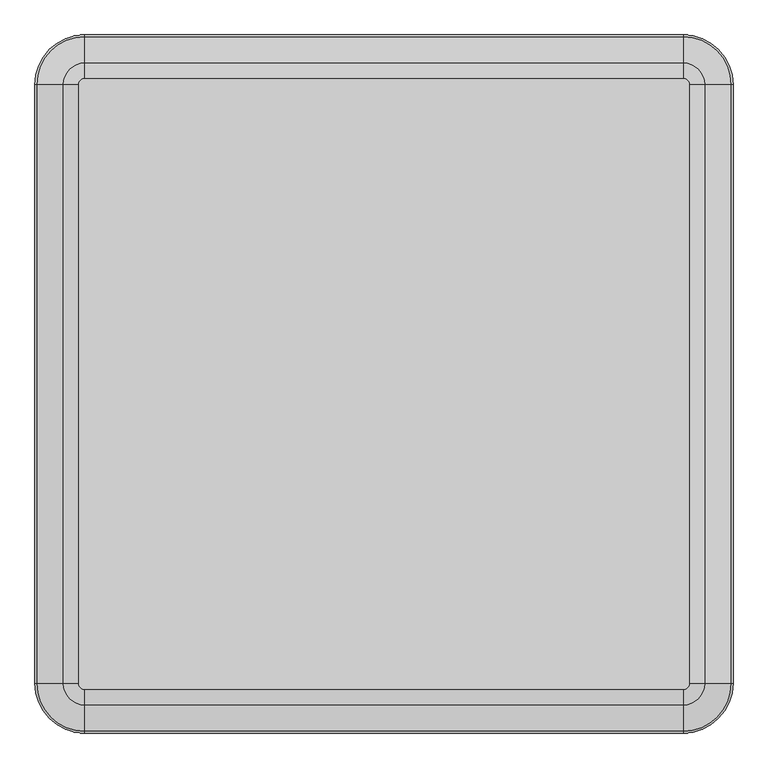
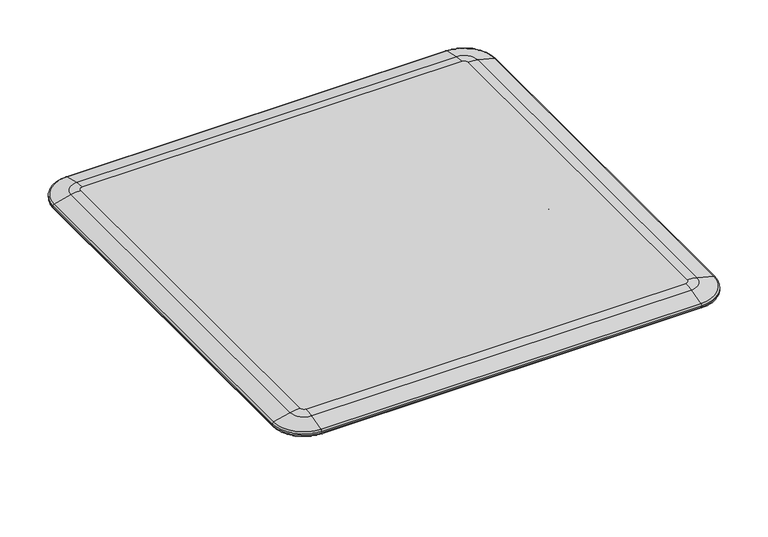
"""IFC4 building model written with IfcOpenShell, lengths in millimetres: furniture geometry."""

import ifcopenshell
import ifcopenshell.guid

model = None  # the IFC model being written
_history = None  # IfcOwnerHistory: only IFC2X3 demands one
_inside = {}  # id of a spatial element -> (the spatial element, [elements in it])
_under = {}  # id of a project, library or spatial element -> (it, [spatial elements below it])
_declared = {}  # id of a project -> (the project, [libraries it declares])
_typed = {}  # id of a type object -> (the type object, [elements of that type])
_made_of = {}  # id of a material, layer set ... -> (it, [elements and type objects made of it])


def new_model(schema):
    """Start an empty IFC model of exactly this schema.

    Asked for "IFC4X3", IfcOpenShell would pick the latest addendum, in which some entities
    have other attributes; the version numbers below select the first issue.
    IFC2X3 requires an IfcOwnerHistory on every rooted entity: one is made here for all.
    """
    global model, _history
    if schema == "IFC4X3":
        model = ifcopenshell.file(schema_version=(4, 3, 0, 0))
    else:
        model = ifcopenshell.file(schema=schema)
    _inside.clear()
    _under.clear()
    _declared.clear()
    _typed.clear()
    _made_of.clear()
    _history = None
    if model.schema == "IFC2X3":
        org = make("IfcOrganization", Name="unknown")
        user = make(
            "IfcPersonAndOrganization",
            ThePerson=make("IfcPerson", FamilyName="unknown"),
            TheOrganization=org,
        )
        app = make(
            "IfcApplication",
            ApplicationDeveloper=org,
            Version="unknown",
            ApplicationFullName="unknown",
            ApplicationIdentifier="unknown",
        )
        _history = make(
            "IfcOwnerHistory",
            OwningUser=user,
            OwningApplication=app,
            ChangeAction="ADDED",
            CreationDate=0,
        )
    return model


def make(cls, **values):
    """One entity of the class cls with the attributes given. An attribute that is None is left unset."""
    return model.create_entity(
        cls, **{name: value for name, value in values.items() if value is not None}
    )


def rooted(cls, **values):
    """An entity with a GlobalId (a new one), such as an element, a storey or a relation."""
    return make(cls, GlobalId=ifcopenshell.guid.new(), OwnerHistory=_history, **values)


def si_unit(unit_type, name, prefix=None):
    """IfcSIUnit, for example si_unit("LENGTHUNIT", "METRE", prefix="MILLI")."""
    return make("IfcSIUnit", UnitType=unit_type, Prefix=prefix, Name=name)


def assignment(units):
    """IfcUnitAssignment: the units of a project."""
    return None if units is None else make("IfcUnitAssignment", Units=units)


def point(xyz):
    """IfcCartesianPoint."""
    return None if xyz is None else make("IfcCartesianPoint", Coordinates=xyz)


def direction(xyz):
    """IfcDirection."""
    return None if xyz is None else make("IfcDirection", DirectionRatios=xyz)


def frame(location, z_axis=None, x_axis=None):
    """IfcAxis2Placement3D, a coordinate frame: its origin and axes. An axis left out is left unset."""
    return make(
        "IfcAxis2Placement3D",
        Location=point(location),
        Axis=direction(z_axis),
        RefDirection=direction(x_axis),
    )


def origin():
    """The frame at (0, 0, 0) with its axes left unset."""
    return frame((0.0, 0.0, 0.0))


def place(relative_to, where):
    """IfcLocalPlacement: puts the frame where relative to a parent placement (None: the world)."""
    return make(
        "IfcLocalPlacement", PlacementRelTo=relative_to, RelativePlacement=where
    )


def context(
    kind, dimensions, precision=None, world=None, true_north=None, identifier=None
):
    """IfcGeometricRepresentationContext, for example the 3D "Model" context."""
    return make(
        "IfcGeometricRepresentationContext",
        ContextIdentifier=identifier,
        ContextType=kind,
        CoordinateSpaceDimension=dimensions,
        Precision=precision,
        WorldCoordinateSystem=world,
        TrueNorth=true_north,
    )


def project(units=None, contexts=None):
    """IfcProject with its units and contexts."""
    return rooted(
        "IfcProject",
        Name="project",
        RepresentationContexts=contexts,
        UnitsInContext=assignment(units),
    )


def spatial(cls, under=None, at=None, **own):
    """A site, building, storey or space (cls), placed at a placement, below another one or the project."""
    s = rooted(cls, ObjectPlacement=at, **own)
    if under is not None:
        _under.setdefault(under.id(), (under, []))[1].append(s)
    return s


def polyline(points):
    """IfcPolyline through the points."""
    return make("IfcPolyline", Points=[point(p) for p in points])


def circle_curve(where, radius):
    """IfcCircle in the frame where."""
    return make("IfcCircle", Position=where, Radius=radius)


def ellipse_curve(where, semi_axis1, semi_axis2):
    """IfcEllipse in the frame where."""
    return make(
        "IfcEllipse", Position=where, SemiAxis1=semi_axis1, SemiAxis2=semi_axis2
    )


def trimmed(basis, trim1, trim2, sense, master):
    """IfcTrimmedCurve: the piece of a basis curve between two trims."""
    return make(
        "IfcTrimmedCurve",
        BasisCurve=basis,
        Trim1=trim1,
        Trim2=trim2,
        SenseAgreement=sense,
        MasterRepresentation=master,
    )


def shape(context_of_items, identifier, shape_type, items):
    """IfcShapeRepresentation: the items that make up one representation, for example the "Body"."""
    return make(
        "IfcShapeRepresentation",
        ContextOfItems=context_of_items,
        RepresentationIdentifier=identifier,
        RepresentationType=shape_type,
        Items=items,
    )


def source(mapping_origin, context_of_items, identifier, shape_type, items):
    """IfcRepresentationMap: a shape defined once, which mapped items show again and again."""
    return make(
        "IfcRepresentationMap",
        MappingOrigin=mapping_origin,
        MappedRepresentation=shape(context_of_items, identifier, shape_type, items),
    )


def transform(
    local_origin,
    x_axis=None,
    y_axis=None,
    z_axis=None,
    scale=None,
    scale2=None,
    scale3=None,
    uniform=True,
):
    """IfcCartesianTransformationOperator3D, or its non-uniform kind. x_axis, y_axis, z_axis: its Axis1, 2, 3."""
    if uniform:
        return make(
            "IfcCartesianTransformationOperator3D",
            Axis1=direction(x_axis),
            Axis2=direction(y_axis),
            LocalOrigin=point(local_origin),
            Scale=scale,
            Axis3=direction(z_axis),
        )
    return make(
        "IfcCartesianTransformationOperator3DnonUniform",
        Axis1=direction(x_axis),
        Axis2=direction(y_axis),
        LocalOrigin=point(local_origin),
        Scale=scale,
        Axis3=direction(z_axis),
        Scale2=scale2,
        Scale3=scale3,
    )


def mapped(mapping_source, mapping_target):
    """IfcMappedItem: shows the shape of a source again, moved by a transform."""
    return make(
        "IfcMappedItem", MappingSource=mapping_source, MappingTarget=mapping_target
    )


def made_of(thing, what):
    """Note that an element or type object is made of a material, layer set ...; save() writes the relation."""
    if what is not None:
        _made_of.setdefault(what.id(), (what, []))[1].append(thing)
    return thing


def element(
    cls,
    number,
    at=None,
    inside=None,
    cuts=None,
    type_object=None,
    material=None,
    context=None,
    identifier="Body",
    shape_type=None,
    held_by="IfcProductDefinitionShape",
    body=None,
    shapes=None,
    **own,
):
    """One element of the class cls, such as IfcWall. Its Tag is "e" and its number.

    at: its placement. inside: the storey or other place that contains it. cuts: it is an
    opening in that element (IfcRelVoidsElement). A single representation is given by context,
    identifier, shape_type and body (its items); several are given by shapes. held_by: the class
    of the entity that holds the representations. save() writes the other relations.
    """
    e = rooted(cls, Tag="e%d" % number, ObjectPlacement=at, **own)
    if body is not None:
        shapes = [shape(context, identifier, shape_type, body)]
    if shapes is not None:
        e.Representation = make(held_by, Representations=shapes)
    if inside is not None:
        _inside.setdefault(inside.id(), (inside, []))[1].append(e)
    if cuts is not None:
        rooted(
            "IfcRelVoidsElement", RelatingBuildingElement=cuts, RelatedOpeningElement=e
        )
    if type_object is not None:
        _typed.setdefault(type_object.id(), (type_object, []))[1].append(e)
    return made_of(e, material)


def aggregate(whole, parts):
    """IfcRelAggregates: a whole, such as a stair, and the parts it consists of."""
    return rooted("IfcRelAggregates", RelatingObject=whole, RelatedObjects=parts)


def save(model, path):
    """Write the relations noted so far, then the file.

    IfcRelAggregates (storeys below a building ...), IfcRelContainedInSpatialStructure (elements
    in a storey), IfcRelDefinesByType, IfcRelAssociatesMaterial and IfcRelDeclares: one each for
    every whole, place, type object, material and project.
    """
    for whole, parts in _under.values():
        aggregate(whole, parts)
    for where, things in _inside.values():
        rooted(
            "IfcRelContainedInSpatialStructure",
            RelatedElements=things,
            RelatingStructure=where,
        )
    for kind, things in _typed.values():
        rooted("IfcRelDefinesByType", RelatedObjects=things, RelatingType=kind)
    for what, things in _made_of.values():
        rooted("IfcRelAssociatesMaterial", RelatedObjects=things, RelatingMaterial=what)
    for by, libraries in _declared.values():
        rooted("IfcRelDeclares", RelatingContext=by, RelatedDefinitions=libraries)
    model.write(path)


def plane_surface(at):
    """IfcPlane: the flat surface through the origin of the frame at, square to its z axis."""
    return make("IfcPlane", Position=at)


def cylinder_surface(at, radius):
    """IfcCylindricalSurface: all points at the distance radius from the z axis of the frame at."""
    return make("IfcCylindricalSurface", Position=at, Radius=radius)


def revolved_surface(curve, axis_point, axis_direction):
    """IfcSurfaceOfRevolution: the curve turned about the line through axis_point along axis_direction."""
    return make(
        "IfcSurfaceOfRevolution",
        SweptCurve=make("IfcArbitraryOpenProfileDef", ProfileType="CURVE", Curve=curve),
        AxisPosition=make("IfcAxis1Placement", Location=point(axis_point), Axis=direction(axis_direction)),
    )


def advanced_brep(points, edges, surfaces, faces):
    """IfcAdvancedBrep: a solid bounded by faces that lie on surfaces and meet in shared edges.

    An edge is (start, end): straight between two places in points (the first is 0);
    or (start, end, curve); or (start, end, curve, False) where it runs against its curve.
    A face is (place in surfaces, loops), or (place, loops, False) where it looks against
    its surface's normal. A loop lists edges by number (the first is 1), with a minus sign
    where the edge is run from its end to its start. The first loop is the outer one.
    """
    corners = [point(p) for p in points]
    vertices = [make("IfcVertexPoint", VertexGeometry=c) for c in corners]
    made = []
    for start, end, *more in edges:
        made.append(
            make(
                "IfcEdgeCurve",
                EdgeStart=vertices[start],
                EdgeEnd=vertices[end],
                EdgeGeometry=more[0] if more else make("IfcPolyline", Points=[corners[start], corners[end]]),
                SameSense=more[1] if len(more) > 1 else True,
            )
        )
    hull = []
    for where, loops, *sense in faces:
        bounds = []
        for j, loop in enumerate(loops):
            ring = [make("IfcOrientedEdge", EdgeElement=made[abs(k) - 1], Orientation=k > 0) for k in loop]
            bounds.append(
                make(
                    "IfcFaceOuterBound" if j == 0 else "IfcFaceBound",
                    Bound=make("IfcEdgeLoop", EdgeList=ring),
                    Orientation=True,
                )
            )
        hull.append(make("IfcAdvancedFace", Bounds=bounds, FaceSurface=surfaces[where], SameSense=sense[0] if sense else True))
    return make("IfcAdvancedBrep", Outer=make("IfcClosedShell", CfsFaces=hull))


def furniture_99f1396e(model_context):
    return source(origin(), model_context, "Body", "AdvancedBrep", [
        advanced_brep(
        [(391.3822515, -100.508253, 555.3710063), (391.3822515, -97.3073962, 558.5718631), (391.3822515, -97.3073962, 708.6902807), (391.3822515, -99.708377, 711.0912615), (391.3822515, -101.2761492, 711.0912615), (391.3822515, -101.2761492, 707.9162373), (391.3822515, -101.0406863, 707.9162373), (391.3822515, -100.4824023, 707.3579533), (391.3822515, -100.4824023, 560.3452277), (391.3822515, -102.0491281, 558.7785018), (391.3822515, -101.2823662, 558.7785018), (391.3822515, -101.2823662, 555.3710063), (341.3760015, -102.0491281, 558.7785018), (341.3760015, -100.4824023, 560.3452277), (341.3760015, -100.4824023, 707.3579533), (341.3760015, -101.0406863, 707.9162373), (341.3760015, -101.2761492, 707.9162373), (341.3760015, -101.2761492, 711.0912615), (341.3760015, -99.708377, 711.0912615), (341.3760015, -97.3073962, 708.6902807), (341.3760015, -97.3073962, 558.5718631), (341.3760015, -100.508253, 555.3710063), (341.3760015, -101.2774084, 555.3710063), (341.3760015, -101.2774084, 558.7785018), (402.9715051, -101.2835152, 555.3710063), (408.0510015, -106.3635152, 555.3710063), (408.0510015, -187.1979983, 555.3710063), (402.9710015, -192.2779983, 555.3710063), (317.8810015, -192.2779983, 555.3710063), (312.8010015, -187.1979983, 555.3710063), (312.8010015, -106.355079, 555.3710063), (317.8815051, -101.275079, 555.3710063), (331.6922757, -101.2761492, 711.0912615), (331.6922757, -122.5550012, 711.0912615), (344.3922636, -125.7299982, 711.0912615), (369.897129, -125.7299982, 711.0912615), (369.897129, -132.0800012, 711.0912615), (344.3922636, -132.0800012, 711.0912615), (331.6922757, -135.2549982, 711.0912615), (331.6922757, -147.3200012, 711.0912615), (335.5022757, -151.1300012, 711.0912615), (391.3822515, -151.1300012, 711.0912615), (395.1922515, -147.3200012, 711.0912615), (395.1922515, -101.2761492, 711.0912615), (395.1922515, -101.2761492, 707.9162373), (395.1922515, -147.3200012, 707.9162373), (391.3822515, -151.1300012, 707.9162373), (335.5022757, -151.1300012, 707.9162373), (331.6922757, -147.3200012, 707.9162373), (331.6922757, -135.2549982, 707.9162373), (344.3922636, -132.0800012, 707.9162373), (369.897129, -132.0800012, 707.9162373), (369.897129, -125.7299982, 707.9162373), (344.3922636, -125.7299982, 707.9162373), (331.6922757, -122.5550012, 707.9162373), (331.6922757, -101.2761492, 707.9162373), (317.8815051, -101.275079, 558.7785018), (312.8010015, -106.355079, 558.7785018), (312.8010015, -187.1979983, 558.7785018), (317.8810015, -192.2779983, 558.7785018), (402.9710015, -192.2779983, 558.7785018), (408.0510015, -187.1979983, 558.7785018), (408.0510015, -106.3635152, 558.7785018), (402.9715051, -101.2835152, 558.7785018)],
        [
            (0, 1, circle_curve(frame((391.3822515, -100.508253, 558.5718631), z_axis=(1.0, 0.0, 0.0), x_axis=(0.0, -1.0, 0.0)), 3.2008568)),
            (1, 2),
            (2, 3, circle_curve(frame((391.3822515, -99.708377, 708.6902807), z_axis=(1.0, 0.0, 0.0), x_axis=(0.0, 1.0, 0.0)), 2.4009808)),
            (3, 4),
            (4, 5),
            (5, 6),
            (6, 7, circle_curve(frame((391.3822515, -101.0406863, 707.3579533), z_axis=(-1.0, 0.0, 0.0), x_axis=(0.0, 1.0, 0.0)), 0.558284)),
            (7, 8),
            (8, 9, circle_curve(frame((391.3822515, -102.0491281, 560.3452277), z_axis=(-1.0, 0.0, 0.0), x_axis=(0.0, -1.0, 0.0)), 1.5667259)),
            (9, 10),
            (10, 11),
            (11, 0),
            (12, 13, circle_curve(frame((341.3760015, -102.0491281, 560.3452277), z_axis=(1.0, 0.0, 0.0), x_axis=(0.0, -1.0, 0.0)), 1.5667259)),
            (13, 14),
            (14, 15, circle_curve(frame((341.3760015, -101.0406863, 707.3579533), z_axis=(1.0, 0.0, 0.0), x_axis=(0.0, 1.0, 0.0)), 0.558284)),
            (15, 16),
            (16, 17),
            (17, 18),
            (18, 19, circle_curve(frame((341.3760015, -99.708377, 708.6902807), z_axis=(-1.0, 0.0, 0.0), x_axis=(0.0, 1.0, 0.0)), 2.4009808)),
            (19, 20),
            (20, 21, circle_curve(frame((341.3760015, -100.508253, 558.5718631), z_axis=(-1.0, 0.0, 0.0), x_axis=(0.0, -1.0, 0.0)), 3.2008568)),
            (21, 22),
            (22, 23),
            (23, 12),
            (21, 0),
            (11, 24),
            (24, 25, circle_curve(frame((402.9710015, -106.3635152, 555.3710063), z_axis=(0.0, 0.0, -1.0), x_axis=(-1.0, 0.0, 0.0)), 5.08)),
            (25, 26),
            (26, 27, circle_curve(frame((402.9710015, -187.1979983, 555.3710063), z_axis=(0.0, 0.0, -1.0), x_axis=(-1.0, 0.0, 0.0)), 5.08)),
            (27, 28),
            (28, 29, circle_curve(frame((317.8810015, -187.1979983, 555.3710063), z_axis=(0.0, 0.0, -1.0), x_axis=(-1.0, 0.0, 0.0)), 5.08)),
            (29, 30),
            (30, 31, circle_curve(frame((317.8810015, -106.355079, 555.3710063), z_axis=(0.0, 0.0, -1.0), x_axis=(-1.0, 0.0, 0.0)), 5.08)),
            (31, 22),
            (20, 1),
            (19, 2),
            (18, 3),
            (17, 32),
            (32, 33),
            (33, 34),
            (34, 35),
            (35, 36, circle_curve(frame((369.897129, -128.9049997, 711.0912615), z_axis=(0.0, 0.0, -1.0), x_axis=(1.0, 0.0, 0.0)), 3.1750015)),
            (36, 37),
            (37, 38),
            (38, 39),
            (39, 40, circle_curve(frame((335.5022757, -147.3200012, 711.0912615), z_axis=(0.0, 0.0, 1.0), x_axis=(1.0, 0.0, 0.0)), 3.81)),
            (40, 41),
            (41, 42, circle_curve(frame((391.3822515, -147.3200012, 711.0912615), z_axis=(0.0, 0.0, 1.0), x_axis=(1.0, 0.0, 0.0)), 3.81)),
            (42, 43),
            (43, 4),
            (15, 6),
            (5, 44),
            (44, 45),
            (45, 46, circle_curve(frame((391.3822515, -147.3200012, 707.9162373), z_axis=(0.0, 0.0, -1.0), x_axis=(1.0, 0.0, 0.0)), 3.81)),
            (46, 47),
            (47, 48, circle_curve(frame((335.5022757, -147.3200012, 707.9162373), z_axis=(0.0, 0.0, -1.0), x_axis=(1.0, 0.0, 0.0)), 3.81)),
            (48, 49),
            (49, 50),
            (50, 51),
            (51, 52, circle_curve(frame((369.897129, -128.9049997, 707.9162373), z_axis=(0.0, 0.0, 1.0), x_axis=(1.0, 0.0, 0.0)), 3.1750015)),
            (52, 53),
            (53, 54),
            (54, 55),
            (55, 16),
            (14, 7),
            (13, 8),
            (12, 9),
            (23, 56),
            (56, 57, circle_curve(frame((317.8810015, -106.355079, 558.7785018), z_axis=(0.0, 0.0, 1.0), x_axis=(-1.0, 0.0, 0.0)), 5.08)),
            (57, 58),
            (58, 59, circle_curve(frame((317.8810015, -187.1979983, 558.7785018), z_axis=(0.0, 0.0, 1.0), x_axis=(-1.0, 0.0, 0.0)), 5.08)),
            (59, 60),
            (60, 61, circle_curve(frame((402.9710015, -187.1979983, 558.7785018), z_axis=(0.0, 0.0, 1.0), x_axis=(-1.0, 0.0, 0.0)), 5.08)),
            (61, 62),
            (62, 63, circle_curve(frame((402.9710015, -106.3635152, 558.7785018), z_axis=(0.0, 0.0, 1.0), x_axis=(-1.0, 0.0, 0.0)), 5.08)),
            (63, 10),
            (56, 31),
            (30, 57),
            (29, 58),
            (28, 59),
            (27, 60),
            (26, 61),
            (25, 62),
            (24, 63),
            (40, 47),
            (46, 41),
            (45, 42),
            (44, 43),
            (55, 32),
            (54, 33),
            (53, 34),
            (52, 35),
            (51, 36),
            (50, 37),
            (49, 38),
            (48, 39),
        ],
        [
            plane_surface(frame((391.3822515, -107.6625629, 558.7785018), z_axis=(1.0, 0.0, 0.0), x_axis=(0.0, 0.0, -1.0))),
            plane_surface(frame((341.3760015, -107.6625629, 558.7785018), z_axis=(-1.0, 0.0, 0.0), x_axis=(0.0, 0.0, 1.0))),
            plane_surface(frame((391.3822515, -107.6625629, 555.3710063), z_axis=(0.0, 0.0, -1.0), x_axis=(-1.0, 0.0, 0.0))),
            cylinder_surface(frame((341.3760015, -100.508253, 558.5718631), z_axis=(1.0, 0.0, 0.0), x_axis=(0.0, -1.0, 0.0)), 3.2008568),
            plane_surface(frame((391.3822515, -97.3073962, 558.5718631), z_axis=(0.0, 1.0, 0.0), x_axis=(-1.0, 0.0, 0.0))),
            cylinder_surface(frame((341.3760015, -99.708377, 708.6902807), z_axis=(1.0, 0.0, 0.0), x_axis=(0.0, 1.0, 0.0)), 2.4009808),
            plane_surface(frame((391.3822515, -99.708377, 711.0912615), z_axis=(0.0, 0.0, 1.0), x_axis=(-1.0, 0.0, 0.0))),
            plane_surface(frame((391.3822515, -102.9455885, 707.9162373), z_axis=(0.0, 0.0, -1.0), x_axis=(-1.0, 0.0, 0.0))),
            revolved_surface(polyline([(341.3760015, -100.4824023, 707.3579533), (391.3822515, -100.4824023, 707.3579533)]), (341.3760015, -101.0406863, 707.3579533), (-1.0, 0.0, 0.0)),
            plane_surface(frame((391.3822515, -100.4824023, 707.3579533), z_axis=(0.0, -1.0, 0.0), x_axis=(-1.0, 0.0, 0.0))),
            revolved_surface(polyline([(341.3760015, -103.615854, 560.3452277), (391.3822515, -103.615854, 560.3452277)]), (341.3760015, -102.0491281, 560.3452277), (-1.0, 0.0, 0.0)),
            plane_surface(frame((391.3822515, -102.0491281, 558.7785018), z_axis=(0.0, 0.0, 1.0), x_axis=(-1.0, 0.0, 0.0))),
            cylinder_surface(frame((317.8810015, -106.355079, 0.0), z_axis=(0.0, 0.0, 1.0), x_axis=(-1.0, 0.0, 0.0)), 5.08),
            plane_surface(frame((312.8010015, -106.355079, 558.7785018), z_axis=(-1.0, 0.0, 0.0), x_axis=(0.0, 0.0, -1.0))),
            cylinder_surface(frame((317.8810015, -187.1979983, 0.0), z_axis=(0.0, 0.0, 1.0), x_axis=(-1.0, 0.0, 0.0)), 5.08),
            plane_surface(frame((317.8810015, -192.2779983, 558.7785018), z_axis=(0.0, -1.0, 0.0), x_axis=(0.0, 0.0, -1.0))),
            cylinder_surface(frame((402.9710015, -187.1979983, 0.0), z_axis=(0.0, 0.0, 1.0), x_axis=(-1.0, 0.0, 0.0)), 5.08),
            plane_surface(frame((408.0510015, -187.1979983, 558.7785018), z_axis=(1.0, 0.0, 0.0), x_axis=(0.0, 0.0, -1.0))),
            cylinder_surface(frame((402.9710015, -106.3635152, 0.0), z_axis=(0.0, 0.0, 1.0), x_axis=(-1.0, 0.0, 0.0)), 5.08),
            plane_surface(frame((402.9715051, -101.2835152, 558.7785018), z_axis=(9.914424305644143e-05, 0.9999999950852095, 0.0), x_axis=(0.0, 0.0, -1.0))),
            plane_surface(frame((335.5022757, -151.1300012, 711.0912615), z_axis=(0.0, -1.0, 0.0), x_axis=(0.0, 0.0, -1.0))),
            cylinder_surface(frame((391.3822515, -147.3200012, 707.9162373), z_axis=(0.0, 0.0, 1.0), x_axis=(1.0, 0.0, 0.0)), 3.81),
            plane_surface(frame((395.1922515, -147.3200012, 711.0912615), z_axis=(1.0, 0.0, 0.0), x_axis=(0.0, 0.0, -1.0))),
            plane_surface(frame((395.1922515, -101.2761492, 711.0912615), z_axis=(0.0, 1.0, 0.0), x_axis=(0.0, 0.0, -1.0))),
            plane_surface(frame((331.6922757, -101.2761492, 711.0912615), z_axis=(-1.0, 0.0, 0.0), x_axis=(0.0, 0.0, -1.0))),
            plane_surface(frame((331.6922757, -122.5550012, 711.0912615), z_axis=(-0.24253562503633297, -0.9701425001453319, 0.0), x_axis=(0.0, 0.0, -1.0))),
            plane_surface(frame((344.3922636, -125.7299982, 711.0912615), z_axis=(0.0, -1.0, 0.0), x_axis=(0.0, 0.0, -1.0))),
            revolved_surface(polyline([(373.0721305, -128.9049997, 707.9162373), (373.0721305, -128.9049997, 711.0912615)]), (369.897129, -128.9049997, 707.9162373), (0.0, 0.0, -1.0)),
            plane_surface(frame((369.897129, -132.0800012, 711.0912615), z_axis=(0.0, 1.0, 0.0), x_axis=(0.0, 0.0, -1.0))),
            plane_surface(frame((344.3922636, -132.0800012, 711.0912615), z_axis=(-0.24253562503633297, 0.9701425001453319, 0.0), x_axis=(0.0, 0.0, -1.0))),
            plane_surface(frame((331.6922757, -135.2549982, 711.0912615), z_axis=(-1.0, 0.0, 0.0), x_axis=(0.0, 0.0, -1.0))),
            cylinder_surface(frame((335.5022757, -147.3200012, 707.9162373), z_axis=(0.0, 0.0, 1.0), x_axis=(1.0, 0.0, 0.0)), 3.81),
        ],
        [
            (0, [[1, 2, 3, 4, 5, 6, 7, 8, 9, 10, 11, 12]]),
            (1, [[13, 14, 15, 16, 17, 18, 19, 20, 21, 22, 23, 24]]),
            (2, [[25, -12, 26, 27, 28, 29, 30, 31, 32, 33, 34, -22]]),
            (3, [[-1, -25, -21, 35]]),
            (4, [[-2, -35, -20, 36]]),
            (5, [[-3, -36, -19, 37]]),
            (6, [[-37, -18, 38, 39, 40, 41, 42, 43, 44, 45, 46, 47, 48, 49, 50, -4]]),
            (7, [[51, -6, 52, 53, 54, 55, 56, 57, 58, 59, 60, 61, 62, 63, 64, -16]]),
            (8, [[-7, -51, -15, 65]]),
            (9, [[-8, -65, -14, 66]]),
            (10, [[-9, -66, -13, 67]]),
            (11, [[-67, -24, 68, 69, 70, 71, 72, 73, 74, 75, 76, -10]]),
            (12, [[-69, 77, -33, 78]]),
            (13, [[-70, -78, -32, 79]]),
            (14, [[-71, -79, -31, 80]]),
            (15, [[-72, -80, -30, 81]]),
            (16, [[-73, -81, -29, 82]]),
            (17, [[-74, -82, -28, 83]]),
            (18, [[-75, -83, -27, 84]]),
            (19, [[-77, -68, -23, -34]]),
            (19, [[-84, -26, -11, -76]]),
            (20, [[-47, 85, -55, 86]]),
            (21, [[-48, -86, -54, 87]]),
            (22, [[-49, -87, -53, 88]]),
            (23, [[-88, -52, -5, -50]]),
            (23, [[89, -38, -17, -64]]),
            (24, [[-39, -89, -63, 90]]),
            (25, [[-40, -90, -62, 91]]),
            (26, [[-41, -91, -61, 92]]),
            (27, [[-42, -92, -60, 93]]),
            (28, [[-43, -93, -59, 94]]),
            (29, [[-44, -94, -58, 95]]),
            (30, [[-45, -95, -57, 96]]),
            (31, [[-46, -96, -56, -85]]),
        ],
    ),
        advanced_brep(
        [(-330.581493, -101.275079, 555.3710063), (-325.5009893, -106.355079, 555.3710063), (-325.5009893, -187.1979983, 555.3710063), (-330.5809893, -192.2779983, 555.3710063), (-415.6709893, -192.2779983, 555.3710063), (-420.7509893, -187.1979983, 555.3710063), (-420.7509893, -106.3635152, 555.3710063), (-415.671493, -101.2835152, 555.3710063), (-392.1759893, -101.2811858, 555.3710063), (-392.1759893, -100.508253, 555.3710063), (-342.1697393, -100.508253, 555.3710063), (-342.1697393, -101.2762279, 555.3710063), (-415.671493, -101.2835152, 558.7785018), (-420.7509893, -106.3635152, 558.7785018), (-420.7509893, -187.1979983, 558.7785018), (-415.6709893, -192.2779983, 558.7785018), (-330.5809893, -192.2779983, 558.7785018), (-325.5009893, -187.1979983, 558.7785018), (-325.5009893, -106.355079, 558.7785018), (-330.581493, -101.275079, 558.7785018), (-342.1697393, -101.2762279, 558.7785018), (-342.1697393, -102.0491281, 558.7785018), (-392.1759893, -102.0491281, 558.7785018), (-392.1759893, -101.2811858, 558.7785018), (-342.1697393, -97.3073962, 558.5718631), (-342.1697393, -97.3073962, 708.6902807), (-342.1697393, -99.708377, 711.0912615), (-342.1697393, -101.2761492, 711.0912615), (-342.1697393, -101.2761492, 707.9162373), (-342.1697393, -101.0406863, 707.9162373), (-342.1697393, -100.4824023, 707.3579533), (-342.1697393, -100.4824023, 560.3452277), (-392.1759893, -100.4824023, 560.3452277), (-392.1759893, -100.4824023, 707.3579533), (-392.1759893, -101.0406863, 707.9162373), (-392.1759893, -101.2761492, 707.9162373), (-392.1759893, -101.2761492, 711.0912615), (-392.1759893, -99.708377, 711.0912615), (-392.1759893, -97.3073962, 708.6902807), (-392.1759893, -97.3073962, 558.5718631), (-401.8597151, -101.2761492, 711.0912615), (-401.8597151, -122.5550012, 711.0912615), (-389.1597272, -125.7299982, 711.0912615), (-363.6548618, -125.7299982, 711.0912615), (-363.6548618, -132.0800012, 711.0912615), (-389.1597272, -132.0800012, 711.0912615), (-401.8597151, -135.2549982, 711.0912615), (-401.8597151, -147.3200012, 711.0912615), (-398.0497151, -151.1300012, 711.0912615), (-342.1697393, -151.1300012, 711.0912615), (-338.3597393, -147.3200012, 711.0912615), (-338.3597393, -101.2761492, 711.0912615), (-338.3597393, -101.2761492, 707.9162373), (-338.3597393, -147.3200012, 707.9162373), (-342.1697393, -151.1300012, 707.9162373), (-398.0497151, -151.1300012, 707.9162373), (-401.8597151, -147.3200012, 707.9162373), (-401.8597151, -135.2549982, 707.9162373), (-389.1597272, -132.0800012, 707.9162373), (-363.6548618, -132.0800012, 707.9162373), (-363.6548618, -125.7299982, 707.9162373), (-389.1597272, -125.7299982, 707.9162373), (-401.8597151, -122.5550012, 707.9162373), (-401.8597151, -101.2761492, 707.9162373)],
        [
            (0, 1, circle_curve(frame((-330.5809893, -106.355079, 555.3710063), z_axis=(0.0, 0.0, -1.0), x_axis=(1.0, 0.0, 0.0)), 5.08)),
            (1, 2),
            (2, 3, circle_curve(frame((-330.5809893, -187.1979983, 555.3710063), z_axis=(0.0, 0.0, -1.0), x_axis=(1.0, 0.0, 0.0)), 5.08)),
            (3, 4),
            (4, 5, circle_curve(frame((-415.6709893, -187.1979983, 555.3710063), z_axis=(0.0, 0.0, -1.0), x_axis=(1.0, 0.0, 0.0)), 5.08)),
            (5, 6),
            (6, 7, circle_curve(frame((-415.6709893, -106.3635152, 555.3710063), z_axis=(0.0, 0.0, -1.0), x_axis=(1.0, 0.0, 0.0)), 5.08)),
            (7, 8),
            (8, 9),
            (9, 10),
            (10, 11),
            (11, 0),
            (12, 13, circle_curve(frame((-415.6709893, -106.3635152, 558.7785018), z_axis=(0.0, 0.0, 1.0), x_axis=(1.0, 0.0, 0.0)), 5.08)),
            (13, 14),
            (14, 15, circle_curve(frame((-415.6709893, -187.1979983, 558.7785018), z_axis=(0.0, 0.0, 1.0), x_axis=(1.0, 0.0, 0.0)), 5.08)),
            (15, 16),
            (16, 17, circle_curve(frame((-330.5809893, -187.1979983, 558.7785018), z_axis=(0.0, 0.0, 1.0), x_axis=(1.0, 0.0, 0.0)), 5.08)),
            (17, 18),
            (18, 19, circle_curve(frame((-330.5809893, -106.355079, 558.7785018), z_axis=(0.0, 0.0, 1.0), x_axis=(1.0, 0.0, 0.0)), 5.08)),
            (19, 20),
            (20, 21),
            (21, 22),
            (22, 23),
            (23, 12),
            (19, 0),
            (11, 20),
            (7, 12),
            (23, 8),
            (6, 13),
            (5, 14),
            (4, 15),
            (3, 16),
            (2, 17),
            (1, 18),
            (10, 24, circle_curve(frame((-342.1697393, -100.508253, 558.5718631), z_axis=(1.0, 0.0, 0.0), x_axis=(0.0, -1.0, 0.0)), 3.2008568)),
            (24, 25),
            (25, 26, circle_curve(frame((-342.1697393, -99.708377, 708.6902807), z_axis=(1.0, 0.0, 0.0), x_axis=(0.0, 1.0, 0.0)), 2.4009808)),
            (26, 27),
            (27, 28),
            (28, 29),
            (29, 30, circle_curve(frame((-342.1697393, -101.0406863, 707.3579533), z_axis=(-1.0, 0.0, 0.0), x_axis=(0.0, 1.0, 0.0)), 0.558284)),
            (30, 31),
            (31, 21, circle_curve(frame((-342.1697393, -102.0491281, 560.3452277), z_axis=(-1.0, 0.0, 0.0), x_axis=(0.0, -1.0, 0.0)), 1.5667259)),
            (22, 32, circle_curve(frame((-392.1759893, -102.0491281, 560.3452277), z_axis=(1.0, 0.0, 0.0), x_axis=(0.0, -1.0, 0.0)), 1.5667259)),
            (32, 33),
            (33, 34, circle_curve(frame((-392.1759893, -101.0406863, 707.3579533), z_axis=(1.0, 0.0, 0.0), x_axis=(0.0, 1.0, 0.0)), 0.558284)),
            (34, 35),
            (35, 36),
            (36, 37),
            (37, 38, circle_curve(frame((-392.1759893, -99.708377, 708.6902807), z_axis=(-1.0, 0.0, 0.0), x_axis=(0.0, 1.0, 0.0)), 2.4009808)),
            (38, 39),
            (39, 9, circle_curve(frame((-392.1759893, -100.508253, 558.5718631), z_axis=(-1.0, 0.0, 0.0), x_axis=(0.0, -1.0, 0.0)), 3.2008568)),
            (39, 24),
            (38, 25),
            (37, 26),
            (36, 40),
            (40, 41),
            (41, 42),
            (42, 43),
            (43, 44, circle_curve(frame((-363.6548618, -128.9049997, 711.0912615), z_axis=(0.0, 0.0, -1.0), x_axis=(1.0, 0.0, 0.0)), 3.1750015)),
            (44, 45),
            (45, 46),
            (46, 47),
            (47, 48, circle_curve(frame((-398.0497151, -147.3200012, 711.0912615), z_axis=(0.0, 0.0, 1.0), x_axis=(1.0, 0.0, 0.0)), 3.81)),
            (48, 49),
            (49, 50, circle_curve(frame((-342.1697393, -147.3200012, 711.0912615), z_axis=(0.0, 0.0, 1.0), x_axis=(1.0, 0.0, 0.0)), 3.81)),
            (50, 51),
            (51, 27),
            (34, 29),
            (28, 52),
            (52, 53),
            (53, 54, circle_curve(frame((-342.1697393, -147.3200012, 707.9162373), z_axis=(0.0, 0.0, -1.0), x_axis=(1.0, 0.0, 0.0)), 3.81)),
            (54, 55),
            (55, 56, circle_curve(frame((-398.0497151, -147.3200012, 707.9162373), z_axis=(0.0, 0.0, -1.0), x_axis=(1.0, 0.0, 0.0)), 3.81)),
            (56, 57),
            (57, 58),
            (58, 59),
            (59, 60, circle_curve(frame((-363.6548618, -128.9049997, 707.9162373), z_axis=(0.0, 0.0, 1.0), x_axis=(1.0, 0.0, 0.0)), 3.1750015)),
            (60, 61),
            (61, 62),
            (62, 63),
            (63, 35),
            (33, 30),
            (32, 31),
            (48, 55),
            (54, 49),
            (53, 50),
            (52, 51),
            (63, 40),
            (62, 41),
            (61, 42),
            (60, 43),
            (59, 44),
            (58, 45),
            (57, 46),
            (56, 47),
        ],
        [
            plane_surface(frame((391.3822515, -107.6625629, 555.3710063), z_axis=(0.0, 0.0, -1.0), x_axis=(-1.0, 0.0, 0.0))),
            plane_surface(frame((391.3822515, -102.0491281, 558.7785018), z_axis=(0.0, 0.0, 1.0), x_axis=(-1.0, 0.0, 0.0))),
            plane_surface(frame((-330.581493, -101.275079, 558.7785018), z_axis=(-9.914424305644143e-05, 0.9999999950852095, 0.0), x_axis=(0.0, 0.0, -1.0))),
            cylinder_surface(frame((-415.6709893, -106.3635152, 555.3710063), z_axis=(0.0, 0.0, 1.0), x_axis=(1.0, 0.0, 0.0)), 5.08),
            plane_surface(frame((-420.7509893, -106.3635152, 558.7785018), z_axis=(-1.0, 0.0, 0.0), x_axis=(0.0, 0.0, -1.0))),
            cylinder_surface(frame((-415.6709893, -187.1979983, 555.3710063), z_axis=(0.0, 0.0, 1.0), x_axis=(1.0, 0.0, 0.0)), 5.08),
            plane_surface(frame((-415.6709893, -192.2779983, 558.7785018), z_axis=(0.0, -1.0, 0.0), x_axis=(0.0, 0.0, -1.0))),
            cylinder_surface(frame((-330.5809893, -187.1979983, 555.3710063), z_axis=(0.0, 0.0, 1.0), x_axis=(1.0, 0.0, 0.0)), 5.08),
            plane_surface(frame((-325.5009893, -187.1979983, 558.7785018), z_axis=(1.0, 0.0, 0.0), x_axis=(0.0, 0.0, -1.0))),
            cylinder_surface(frame((-330.5809893, -106.355079, 555.3710063), z_axis=(0.0, 0.0, 1.0), x_axis=(1.0, 0.0, 0.0)), 5.08),
            plane_surface(frame((-342.1697393, -107.6625629, 558.7785018), z_axis=(1.0, 0.0, 0.0), x_axis=(0.0, 0.0, -1.0))),
            plane_surface(frame((-392.1759893, -107.6625629, 558.7785018), z_axis=(-1.0, 0.0, 0.0), x_axis=(0.0, 0.0, 1.0))),
            cylinder_surface(frame((-392.1759893, -100.508253, 558.5718631), z_axis=(1.0, 0.0, 0.0), x_axis=(0.0, -1.0, 0.0)), 3.2008568),
            plane_surface(frame((-342.1697393, -97.3073962, 558.5718631), z_axis=(0.0, 1.0, 0.0), x_axis=(-1.0, 0.0, 0.0))),
            cylinder_surface(frame((-392.1759893, -99.708377, 708.6902807), z_axis=(1.0, 0.0, 0.0), x_axis=(0.0, 1.0, 0.0)), 2.4009808),
            plane_surface(frame((-342.1697393, -99.708377, 711.0912615), z_axis=(0.0, 0.0, 1.0), x_axis=(-1.0, 0.0, 0.0))),
            plane_surface(frame((-342.1697393, -102.9455885, 707.9162373), z_axis=(0.0, 0.0, -1.0), x_axis=(-1.0, 0.0, 0.0))),
            revolved_surface(polyline([(-392.1759893, -100.4824023, 707.3579533), (-342.1697393, -100.4824023, 707.3579533)]), (-392.1759893, -101.0406863, 707.3579533), (-1.0, 0.0, 0.0)),
            plane_surface(frame((-342.1697393, -100.4824023, 707.3579533), z_axis=(0.0, -1.0, 0.0), x_axis=(-1.0, 0.0, 0.0))),
            revolved_surface(polyline([(-392.1759893, -103.615854, 560.3452277), (-342.1697393, -103.615854, 560.3452277)]), (-392.1759893, -102.0491281, 560.3452277), (-1.0, 0.0, 0.0)),
            plane_surface(frame((-398.0497151, -151.1300012, 711.0912615), z_axis=(0.0, -1.0, 0.0), x_axis=(0.0, 0.0, -1.0))),
            cylinder_surface(frame((-342.1697393, -147.3200012, 707.9162373), z_axis=(0.0, 0.0, 1.0), x_axis=(1.0, 0.0, 0.0)), 3.81),
            plane_surface(frame((-338.3597393, -147.3200012, 711.0912615), z_axis=(1.0, 0.0, 0.0), x_axis=(0.0, 0.0, -1.0))),
            plane_surface(frame((-338.3597393, -101.2761492, 711.0912615), z_axis=(0.0, 1.0, 0.0), x_axis=(0.0, 0.0, -1.0))),
            plane_surface(frame((-401.8597151, -101.2761492, 711.0912615), z_axis=(-1.0, 0.0, 0.0), x_axis=(0.0, 0.0, -1.0))),
            plane_surface(frame((-401.8597151, -122.5550012, 711.0912615), z_axis=(-0.24253562503633297, -0.9701425001453319, 0.0), x_axis=(0.0, 0.0, -1.0))),
            plane_surface(frame((-389.1597272, -125.7299982, 711.0912615), z_axis=(0.0, -1.0, 0.0), x_axis=(0.0, 0.0, -1.0))),
            revolved_surface(polyline([(-360.4798603, -128.9049997, 707.9162373), (-360.4798603, -128.9049997, 711.0912615)]), (-363.6548618, -128.9049997, 707.9162373), (0.0, 0.0, -1.0)),
            plane_surface(frame((-363.6548618, -132.0800012, 711.0912615), z_axis=(0.0, 1.0, 0.0), x_axis=(0.0, 0.0, -1.0))),
            plane_surface(frame((-389.1597272, -132.0800012, 711.0912615), z_axis=(-0.24253562503633297, 0.9701425001453319, 0.0), x_axis=(0.0, 0.0, -1.0))),
            plane_surface(frame((-401.8597151, -135.2549982, 711.0912615), z_axis=(-1.0, 0.0, 0.0), x_axis=(0.0, 0.0, -1.0))),
            cylinder_surface(frame((-398.0497151, -147.3200012, 707.9162373), z_axis=(0.0, 0.0, 1.0), x_axis=(1.0, 0.0, 0.0)), 3.81),
        ],
        [
            (0, [[1, 2, 3, 4, 5, 6, 7, 8, 9, 10, 11, 12]]),
            (1, [[13, 14, 15, 16, 17, 18, 19, 20, 21, 22, 23, 24]]),
            (2, [[25, -12, 26, -20]]),
            (2, [[27, -24, 28, -8]]),
            (3, [[-13, -27, -7, 29]]),
            (4, [[-14, -29, -6, 30]]),
            (5, [[-15, -30, -5, 31]]),
            (6, [[-16, -31, -4, 32]]),
            (7, [[-17, -32, -3, 33]]),
            (8, [[-18, -33, -2, 34]]),
            (9, [[-19, -34, -1, -25]]),
            (10, [[35, 36, 37, 38, 39, 40, 41, 42, 43, -21, -26, -11]]),
            (11, [[44, 45, 46, 47, 48, 49, 50, 51, 52, -9, -28, -23]]),
            (12, [[-35, -10, -52, 53]]),
            (13, [[-36, -53, -51, 54]]),
            (14, [[-37, -54, -50, 55]]),
            (15, [[-55, -49, 56, 57, 58, 59, 60, 61, 62, 63, 64, 65, 66, 67, 68, -38]]),
            (16, [[69, -40, 70, 71, 72, 73, 74, 75, 76, 77, 78, 79, 80, 81, 82, -47]]),
            (17, [[-41, -69, -46, 83]]),
            (18, [[-42, -83, -45, 84]]),
            (19, [[-43, -84, -44, -22]]),
            (20, [[-65, 85, -73, 86]]),
            (21, [[-66, -86, -72, 87]]),
            (22, [[-67, -87, -71, 88]]),
            (23, [[-88, -70, -39, -68]]),
            (23, [[89, -56, -48, -82]]),
            (24, [[-57, -89, -81, 90]]),
            (25, [[-58, -90, -80, 91]]),
            (26, [[-59, -91, -79, 92]]),
            (27, [[-60, -92, -78, 93]]),
            (28, [[-61, -93, -77, 94]]),
            (29, [[-62, -94, -76, 95]]),
            (30, [[-63, -95, -75, 96]]),
            (31, [[-64, -96, -74, -85]]),
        ],
    ),
        advanced_brep(
        [(-567.1257597, 449.9610111, 723.0009412), (-569.9667758, 449.9610111, 719.3737954), (-569.9667758, -527.4309918, 719.3737954), (-567.1257597, -527.4309918, 723.0009412), (-524.3120928, -527.4309918, 733.5639793), (-524.3120928, 449.9610111, 733.5639793), (-499.3319547, -527.4309918, 736.6000242), (-499.3319547, 449.9610111, 736.6000242), (-569.9667758, 449.9610111, 714.7744621), (-566.3925075, 449.9610111, 711.2001938), (-566.3925075, -527.4309918, 711.2001938), (-569.9667758, -527.4309918, 714.7744621), (-488.6960015, -605.86075, 723.0009412), (-488.6960015, -608.7017661, 719.3737954), (488.6960015, -608.7017661, 719.3737954), (488.6960015, -605.86075, 723.0009412), (488.6960015, -563.0470831, 733.5639793), (-488.6960015, -563.0470831, 733.5639793), (488.6960015, -538.066945, 736.6000242), (-488.6960015, -538.066945, 736.6000242), (-488.6960015, -608.7017661, 714.7744621), (-488.6960015, -605.1274978, 711.2001938), (488.6960015, -605.1274978, 711.2001938), (488.6960015, -608.7017661, 714.7744621), (567.1257597, -527.4309918, 723.0009412), (569.9667758, -527.4309918, 719.3737954), (569.9667758, 449.9610111, 719.3737954), (567.1257597, 449.9610111, 723.0009412), (524.3120928, 449.9610111, 733.5639793), (524.3120928, -527.4309918, 733.5639793), (499.3319547, 449.9610111, 736.6000242), (499.3319547, -527.4309918, 736.6000242), (569.9667758, -527.4309918, 714.7744621), (566.3925075, -527.4309918, 711.2001938), (566.3925075, 449.9610111, 711.2001938), (569.9667758, 449.9610111, 714.7744621), (488.6960015, 528.3907694, 723.0009412), (488.6960015, 531.2317855, 719.3737954), (-488.6960015, 531.2317855, 719.3737954), (-488.6960015, 528.3907694, 723.0009412), (-488.6960015, 485.5771025, 733.5639793), (488.6960015, 485.5771025, 733.5639793), (-488.6960015, 460.5969644, 736.6000242), (488.6960015, 460.5969644, 736.6000242), (488.6960015, 531.2317855, 714.7744621), (488.6960015, 527.6575172, 711.2001938), (-488.6960015, 527.6575172, 711.2001938), (-488.6960015, 531.2317855, 714.7744621)],
        [
            (0, 1, circle_curve(frame((-566.230866, 449.9610111, 719.3737954), z_axis=(0.0, -1.0, 0.0), x_axis=(1.0, 0.0, 0.0)), 3.7359097)),
            (1, 2),
            (2, 3, circle_curve(frame((-566.230866, -527.4309918, 719.3737954), z_axis=(0.0, 1.0, 0.0), x_axis=(1.0, 0.0, 0.0)), 3.7359097)),
            (3, 0),
            (3, 4),
            (4, 5),
            (5, 0),
            (4, 6, circle_curve(frame((-499.3319547, -527.4309918, 632.315522), z_axis=(0.0, 1.0, 0.0), x_axis=(1.0, 0.0, 0.0)), 104.2845022)),
            (6, 7),
            (7, 5, circle_curve(frame((-499.3319547, 449.9610111, 632.315522), z_axis=(0.0, -1.0, 0.0), x_axis=(1.0, 0.0, 0.0)), 104.2845022)),
            (8, 9, circle_curve(frame((-566.3925075, 449.9610111, 714.7744621), z_axis=(0.0, -1.0, 0.0), x_axis=(1.0, 0.0, 0.0)), 3.5742683)),
            (9, 10),
            (10, 11, circle_curve(frame((-566.3925075, -527.4309918, 714.7744621), z_axis=(0.0, 1.0, 0.0), x_axis=(1.0, 0.0, 0.0)), 3.5742683)),
            (11, 8),
            (1, 8),
            (11, 2),
            (12, 13, circle_curve(frame((-488.6960015, -604.9658563, 719.3737954), z_axis=(1.0, 0.0, 0.0), x_axis=(0.0, 1.0, 0.0)), 3.7359097)),
            (13, 14),
            (14, 15, circle_curve(frame((488.6960015, -604.9658563, 719.3737954), z_axis=(-1.0, 0.0, 0.0), x_axis=(0.0, 1.0, 0.0)), 3.7359097)),
            (15, 12),
            (15, 16),
            (16, 17),
            (17, 12),
            (16, 18, circle_curve(frame((488.6960015, -538.066945, 632.315522), z_axis=(-1.0, 0.0, 0.0), x_axis=(0.0, 1.0, 0.0)), 104.2845022)),
            (18, 19),
            (19, 17, circle_curve(frame((-488.6960015, -538.066945, 632.315522), z_axis=(1.0, 0.0, 0.0), x_axis=(0.0, 1.0, 0.0)), 104.2845022)),
            (20, 21, circle_curve(frame((-488.6960015, -605.1274978, 714.7744621), z_axis=(1.0, 0.0, 0.0), x_axis=(0.0, 1.0, 0.0)), 3.5742683)),
            (21, 22),
            (22, 23, circle_curve(frame((488.6960015, -605.1274978, 714.7744621), z_axis=(-1.0, 0.0, 0.0), x_axis=(0.0, 1.0, 0.0)), 3.5742683)),
            (23, 20),
            (13, 20),
            (23, 14),
            (24, 25, circle_curve(frame((566.230866, -527.4309918, 719.3737954), z_axis=(0.0, 1.0, 0.0), x_axis=(-1.0, 0.0, 0.0)), 3.7359097)),
            (25, 26),
            (26, 27, circle_curve(frame((566.230866, 449.9610111, 719.3737954), z_axis=(0.0, -1.0, 0.0), x_axis=(-1.0, 0.0, 0.0)), 3.7359097)),
            (27, 24),
            (27, 28),
            (28, 29),
            (29, 24),
            (28, 30, circle_curve(frame((499.3319547, 449.9610111, 632.315522), z_axis=(0.0, -1.0, 0.0), x_axis=(-1.0, 0.0, 0.0)), 104.2845022)),
            (30, 31),
            (31, 29, circle_curve(frame((499.3319547, -527.4309918, 632.315522), z_axis=(0.0, 1.0, 0.0), x_axis=(-1.0, 0.0, 0.0)), 104.2845022)),
            (32, 33, circle_curve(frame((566.3925075, -527.4309918, 714.7744621), z_axis=(0.0, 1.0, 0.0), x_axis=(-1.0, 0.0, 0.0)), 3.5742683)),
            (33, 34),
            (34, 35, circle_curve(frame((566.3925075, 449.9610111, 714.7744621), z_axis=(0.0, -1.0, 0.0), x_axis=(-1.0, 0.0, 0.0)), 3.5742683)),
            (35, 32),
            (25, 32),
            (35, 26),
            (36, 37, circle_curve(frame((488.6960015, 527.4958757, 719.3737954), z_axis=(-1.0, 0.0, 0.0), x_axis=(0.0, -1.0, 0.0)), 3.7359097)),
            (37, 38),
            (38, 39, circle_curve(frame((-488.6960015, 527.4958757, 719.3737954), z_axis=(1.0, 0.0, 0.0), x_axis=(0.0, -1.0, 0.0)), 3.7359097)),
            (39, 36),
            (39, 40),
            (40, 41),
            (41, 36),
            (40, 42, circle_curve(frame((-488.6960015, 460.5969644, 632.315522), z_axis=(1.0, 0.0, 0.0), x_axis=(0.0, -1.0, 0.0)), 104.2845022)),
            (42, 43),
            (43, 41, circle_curve(frame((488.6960015, 460.5969644, 632.315522), z_axis=(-1.0, 0.0, 0.0), x_axis=(0.0, -1.0, 0.0)), 104.2845022)),
            (44, 45, circle_curve(frame((488.6960015, 527.6575172, 714.7744621), z_axis=(-1.0, 0.0, 0.0), x_axis=(0.0, -1.0, 0.0)), 3.5742683)),
            (45, 46),
            (46, 47, circle_curve(frame((-488.6960015, 527.6575172, 714.7744621), z_axis=(1.0, 0.0, 0.0), x_axis=(0.0, -1.0, 0.0)), 3.5742683)),
            (47, 44),
            (37, 44),
            (47, 38),
            (0, 39, circle_curve(frame((-488.6960015, 449.9610111, 723.0009412), z_axis=(0.0, 0.0, -1.0), x_axis=(0.0, 1.0, 0.0)), 78.4297582)),
            (38, 1, circle_curve(frame((-488.6960015, 449.9610111, 719.3737954), z_axis=(0.0, 0.0, 1.0), x_axis=(0.0, 1.0, 0.0)), 81.2707743)),
            (5, 40, circle_curve(frame((-488.6960015, 449.9610111, 733.5639793), z_axis=(0.0, 0.0, -1.0), x_axis=(0.0, 1.0, 0.0)), 35.6160913)),
            (7, 42, circle_curve(frame((-488.6960015, 449.9610111, 736.6000242), z_axis=(0.0, 0.0, -1.0), x_axis=(0.0, 1.0, 0.0)), 10.6359532)),
            (8, 47, circle_curve(frame((-488.6960015, 449.9610111, 714.7744621), z_axis=(0.0, 0.0, -1.0), x_axis=(0.0, 1.0, 0.0)), 81.2707743)),
            (46, 9, circle_curve(frame((-488.6960015, 449.9610111, 711.2001938), z_axis=(0.0, 0.0, 1.0), x_axis=(0.0, 1.0, 0.0)), 77.696506)),
            (2, 13, circle_curve(frame((-488.6960015, -527.4309918, 719.3737954), z_axis=(0.0, 0.0, 1.0), x_axis=(-1.0, 0.0, 0.0)), 81.2707743)),
            (12, 3, circle_curve(frame((-488.6960015, -527.4309918, 723.0009412), z_axis=(0.0, 0.0, -1.0), x_axis=(-1.0, 0.0, 0.0)), 78.4297582)),
            (17, 4, circle_curve(frame((-488.6960015, -527.4309918, 733.5639793), z_axis=(0.0, 0.0, -1.0), x_axis=(-1.0, 0.0, 0.0)), 35.6160913)),
            (19, 6, circle_curve(frame((-488.6960015, -527.4309918, 736.6000242), z_axis=(0.0, 0.0, -1.0), x_axis=(-1.0, 0.0, 0.0)), 10.6359532)),
            (10, 21, circle_curve(frame((-488.6960015, -527.4309918, 711.2001938), z_axis=(0.0, 0.0, 1.0), x_axis=(-1.0, 0.0, 0.0)), 77.696506)),
            (20, 11, circle_curve(frame((-488.6960015, -527.4309918, 714.7744621), z_axis=(0.0, 0.0, -1.0), x_axis=(-1.0, 0.0, 0.0)), 81.2707743)),
            (14, 25, circle_curve(frame((488.6960015, -527.4309918, 719.3737954), z_axis=(0.0, 0.0, 1.0), x_axis=(0.0, -1.0, 0.0)), 81.2707743)),
            (24, 15, circle_curve(frame((488.6960015, -527.4309918, 723.0009412), z_axis=(0.0, 0.0, -1.0), x_axis=(0.0, -1.0, 0.0)), 78.4297582)),
            (29, 16, circle_curve(frame((488.6960015, -527.4309918, 733.5639793), z_axis=(0.0, 0.0, -1.0), x_axis=(0.0, -1.0, 0.0)), 35.6160913)),
            (31, 18, circle_curve(frame((488.6960015, -527.4309918, 736.6000242), z_axis=(0.0, 0.0, -1.0), x_axis=(0.0, -1.0, 0.0)), 10.6359532)),
            (22, 33, circle_curve(frame((488.6960015, -527.4309918, 711.2001938), z_axis=(0.0, 0.0, 1.0), x_axis=(0.0, -1.0, 0.0)), 77.696506)),
            (32, 23, circle_curve(frame((488.6960015, -527.4309918, 714.7744621), z_axis=(0.0, 0.0, -1.0), x_axis=(0.0, -1.0, 0.0)), 81.2707743)),
            (26, 37, circle_curve(frame((488.6960015, 449.9610111, 719.3737954), z_axis=(0.0, 0.0, 1.0), x_axis=(1.0, 0.0, 0.0)), 81.2707743)),
            (36, 27, circle_curve(frame((488.6960015, 449.9610111, 723.0009412), z_axis=(0.0, 0.0, -1.0), x_axis=(1.0, 0.0, 0.0)), 78.4297582)),
            (41, 28, circle_curve(frame((488.6960015, 449.9610111, 733.5639793), z_axis=(0.0, 0.0, -1.0), x_axis=(1.0, 0.0, 0.0)), 35.6160913)),
            (43, 30, circle_curve(frame((488.6960015, 449.9610111, 736.6000242), z_axis=(0.0, 0.0, -1.0), x_axis=(1.0, 0.0, 0.0)), 10.6359532)),
            (45, 34, circle_curve(frame((488.6960015, 449.9610111, 711.2001938), z_axis=(0.0, 0.0, -1.0), x_axis=(1.0, 0.0, 0.0)), 77.696506)),
            (44, 35, circle_curve(frame((488.6960015, 449.9610111, 714.7744621), z_axis=(0.0, 0.0, -1.0), x_axis=(1.0, 0.0, 0.0)), 81.2707743)),
        ],
        [
            cylinder_surface(frame((-566.230866, 449.9610111, 719.3737954), z_axis=(0.0, 1.0, 0.0), x_axis=(1.0, 0.0, 0.0)), 3.7359097),
            plane_surface(frame((-567.1257597, 449.9610111, 723.0009412), z_axis=(-0.2395383546799911, 0.0, 0.9708869020834522), x_axis=(0.0, -1.0, 0.0))),
            cylinder_surface(frame((-499.3319547, 449.9610111, 632.315522), z_axis=(0.0, 1.0, 0.0), x_axis=(1.0, 0.0, 0.0)), 104.2845022),
            cylinder_surface(frame((-566.3925075, 449.9610111, 714.7744621), z_axis=(0.0, 1.0, 0.0), x_axis=(1.0, 0.0, 0.0)), 3.5742683),
            plane_surface(frame((-569.9667758, 449.9610111, 714.7744621), z_axis=(-1.0, 0.0, 0.0), x_axis=(0.0, -1.0, 0.0))),
            cylinder_surface(frame((-488.6960015, -604.9658563, 719.3737954), z_axis=(-1.0, 0.0, 0.0), x_axis=(0.0, 1.0, 0.0)), 3.7359097),
            plane_surface(frame((-488.6960015, -605.86075, 723.0009412), z_axis=(0.0, -0.2395383546799911, 0.9708869020834522), x_axis=(1.0, 0.0, 0.0))),
            cylinder_surface(frame((-488.6960015, -538.066945, 632.315522), z_axis=(-1.0, 0.0, 0.0), x_axis=(0.0, 1.0, 0.0)), 104.2845022),
            cylinder_surface(frame((-488.6960015, -605.1274978, 714.7744621), z_axis=(-1.0, 0.0, 0.0), x_axis=(0.0, 1.0, 0.0)), 3.5742683),
            plane_surface(frame((-488.6960015, -608.7017661, 714.7744621), z_axis=(0.0, -1.0, 0.0), x_axis=(1.0, 0.0, 0.0))),
            cylinder_surface(frame((566.230866, -527.4309918, 719.3737954), z_axis=(0.0, -1.0, 0.0), x_axis=(-1.0, 0.0, 0.0)), 3.7359097),
            plane_surface(frame((567.1257597, -527.4309918, 723.0009412), z_axis=(0.2395383546799911, 0.0, 0.9708869020834522), x_axis=(0.0, 1.0, 0.0))),
            cylinder_surface(frame((499.3319547, -527.4309918, 632.315522), z_axis=(0.0, -1.0, 0.0), x_axis=(-1.0, 0.0, 0.0)), 104.2845022),
            cylinder_surface(frame((566.3925075, -527.4309918, 714.7744621), z_axis=(0.0, -1.0, 0.0), x_axis=(-1.0, 0.0, 0.0)), 3.5742683),
            plane_surface(frame((569.9667758, -527.4309918, 714.7744621), z_axis=(1.0, 0.0, 0.0), x_axis=(0.0, 1.0, 0.0))),
            cylinder_surface(frame((488.6960015, 527.4958757, 719.3737954), z_axis=(1.0, 0.0, 0.0), x_axis=(0.0, -1.0, 0.0)), 3.7359097),
            plane_surface(frame((488.6960015, 528.3907694, 723.0009412), z_axis=(0.0, 0.2395383546799911, 0.9708869020834522), x_axis=(-1.0, 0.0, 0.0))),
            cylinder_surface(frame((488.6960015, 460.5969644, 632.315522), z_axis=(1.0, 0.0, 0.0), x_axis=(0.0, -1.0, 0.0)), 104.2845022),
            cylinder_surface(frame((488.6960015, 527.6575172, 714.7744621), z_axis=(1.0, 0.0, 0.0), x_axis=(0.0, -1.0, 0.0)), 3.5742683),
            plane_surface(frame((488.6960015, 531.2317855, 714.7744621), z_axis=(0.0, 1.0, 0.0), x_axis=(-1.0, 0.0, 0.0))),
            revolved_surface(trimmed(ellipse_curve(frame((-488.6960015, 527.4958757, 719.3737954), z_axis=(1.0, 0.0, 0.0), x_axis=(0.0, -1.0, 0.0)), 3.7359097, 3.7359097), [point((-488.6960015, 531.2317855, 719.3737954))], [point((-488.6960015, 528.3907694, 723.0009412))], True, "CARTESIAN"), (-488.6960015, 449.9610111, 0.0), (0.0, 0.0, 1.0)),
            revolved_surface(polyline([(-488.6960015, 528.3907694, 723.0009412), (-488.6960015, 485.5771025, 733.5639793)]), (-488.6960015, 449.9610111, 0.0), (0.0, 0.0, 1.0)),
            revolved_surface(trimmed(ellipse_curve(frame((-488.6960015, 460.5969644, 632.315522), z_axis=(1.0, 0.0, 0.0), x_axis=(0.0, -1.0, 0.0)), 104.2845022, 104.2845022), [point((-488.6960015, 485.5771025, 733.5639793))], [point((-488.6960015, 460.5969644, 736.6000242))], True, "CARTESIAN"), (-488.6960015, 449.9610111, 0.0), (0.0, 0.0, 1.0)),
            revolved_surface(trimmed(ellipse_curve(frame((-488.6960015, 527.6575172, 714.7744621), z_axis=(1.0, 0.0, 0.0), x_axis=(0.0, -1.0, 0.0)), 3.5742683, 3.5742683), [point((-488.6960015, 527.6575172, 711.2001938))], [point((-488.6960015, 531.2317855, 714.7744621))], True, "CARTESIAN"), (-488.6960015, 449.9610111, 0.0), (0.0, 0.0, 1.0)),
            cylinder_surface(frame((-488.6960015, 449.9610111, 0.0), z_axis=(0.0, 0.0, 1.0), x_axis=(0.0, 1.0, 0.0)), 81.2707743),
            revolved_surface(trimmed(ellipse_curve(frame((-566.230866, -527.4309918, 719.3737954), z_axis=(0.0, 1.0, 0.0), x_axis=(1.0, 0.0, 0.0)), 3.7359097, 3.7359097), [point((-569.9667758, -527.4309918, 719.3737954))], [point((-567.1257597, -527.4309918, 723.0009412))], True, "CARTESIAN"), (-488.6960015, -527.4309918, 0.0), (0.0, 0.0, 1.0)),
            revolved_surface(polyline([(-567.1257597, -527.4309918, 723.0009412), (-524.3120928, -527.4309918, 733.5639793)]), (-488.6960015, -527.4309918, 0.0), (0.0, 0.0, 1.0)),
            revolved_surface(trimmed(ellipse_curve(frame((-499.3319547, -527.4309918, 632.315522), z_axis=(0.0, 1.0, 0.0), x_axis=(1.0, 0.0, 0.0)), 104.2845022, 104.2845022), [point((-524.3120928, -527.4309918, 733.5639793))], [point((-499.3319547, -527.4309918, 736.6000242))], True, "CARTESIAN"), (-488.6960015, -527.4309918, 0.0), (0.0, 0.0, 1.0)),
            revolved_surface(trimmed(ellipse_curve(frame((-566.3925075, -527.4309918, 714.7744621), z_axis=(0.0, 1.0, 0.0), x_axis=(1.0, 0.0, 0.0)), 3.5742683, 3.5742683), [point((-566.3925075, -527.4309918, 711.2001938))], [point((-569.9667758, -527.4309918, 714.7744621))], True, "CARTESIAN"), (-488.6960015, -527.4309918, 0.0), (0.0, 0.0, 1.0)),
            cylinder_surface(frame((-488.6960015, -527.4309918, 0.0), z_axis=(0.0, 0.0, 1.0), x_axis=(-1.0, 0.0, 0.0)), 81.2707743),
            revolved_surface(trimmed(ellipse_curve(frame((488.6960015, -604.9658563, 719.3737954), z_axis=(-1.0, 0.0, 0.0), x_axis=(0.0, 1.0, 0.0)), 3.7359097, 3.7359097), [point((488.6960015, -608.7017661, 719.3737954))], [point((488.6960015, -605.86075, 723.0009412))], True, "CARTESIAN"), (488.6960015, -527.4309918, 0.0), (0.0, 0.0, 1.0)),
            revolved_surface(polyline([(488.6960015, -605.86075, 723.0009412), (488.6960015, -563.0470831, 733.5639793)]), (488.6960015, -527.4309918, 0.0), (0.0, 0.0, 1.0)),
            revolved_surface(trimmed(ellipse_curve(frame((488.6960015, -538.066945, 632.315522), z_axis=(-1.0, 0.0, 0.0), x_axis=(0.0, 1.0, 0.0)), 104.2845022, 104.2845022), [point((488.6960015, -563.0470831, 733.5639793))], [point((488.6960015, -538.066945, 736.6000242))], True, "CARTESIAN"), (488.6960015, -527.4309918, 0.0), (0.0, 0.0, 1.0)),
            revolved_surface(trimmed(ellipse_curve(frame((488.6960015, -605.1274978, 714.7744621), z_axis=(-1.0, 0.0, 0.0), x_axis=(0.0, 1.0, 0.0)), 3.5742683, 3.5742683), [point((488.6960015, -605.1274978, 711.2001938))], [point((488.6960015, -608.7017661, 714.7744621))], True, "CARTESIAN"), (488.6960015, -527.4309918, 0.0), (0.0, 0.0, 1.0)),
            cylinder_surface(frame((488.6960015, -527.4309918, 0.0), z_axis=(0.0, 0.0, 1.0), x_axis=(0.0, -1.0, 0.0)), 81.2707743),
            revolved_surface(trimmed(ellipse_curve(frame((566.230866, 449.9610111, 719.3737954), z_axis=(0.0, -1.0, 0.0), x_axis=(-1.0, 0.0, 0.0)), 3.7359097, 3.7359097), [point((569.9667758, 449.9610111, 719.3737954))], [point((567.1257597, 449.9610111, 723.0009412))], True, "CARTESIAN"), (488.6960015, 449.9610111, 0.0), (0.0, 0.0, 1.0)),
            revolved_surface(polyline([(567.1257597, 449.9610111, 723.0009412), (524.3120928, 449.9610111, 733.5639793)]), (488.6960015, 449.9610111, 0.0), (0.0, 0.0, 1.0)),
            revolved_surface(trimmed(ellipse_curve(frame((499.3319547, 449.9610111, 632.315522), z_axis=(0.0, -1.0, 0.0), x_axis=(-1.0, 0.0, 0.0)), 104.2845022, 104.2845022), [point((524.3120928, 449.9610111, 733.5639793))], [point((499.3319547, 449.9610111, 736.6000242))], True, "CARTESIAN"), (488.6960015, 449.9610111, 0.0), (0.0, 0.0, 1.0)),
            plane_surface(frame((488.6960015, 449.9610111, 736.6000242), z_axis=(0.0, 0.0, 1.0), x_axis=(1.0, 0.0, 0.0))),
            plane_surface(frame((488.6960015, 449.9610111, 711.2001938), z_axis=(0.0, 0.0, -1.0), x_axis=(1.0, 0.0, 0.0))),
            revolved_surface(trimmed(ellipse_curve(frame((566.3925075, 449.9610111, 714.7744621), z_axis=(0.0, -1.0, 0.0), x_axis=(-1.0, 0.0, 0.0)), 3.5742683, 3.5742683), [point((566.3925075, 449.9610111, 711.2001938))], [point((569.9667758, 449.9610111, 714.7744621))], True, "CARTESIAN"), (488.6960015, 449.9610111, 0.0), (0.0, 0.0, 1.0)),
            cylinder_surface(frame((488.6960015, 449.9610111, 0.0), z_axis=(0.0, 0.0, 1.0), x_axis=(1.0, 0.0, 0.0)), 81.2707743),
        ],
        [
            (0, [[1, 2, 3, 4]]),
            (1, [[-4, 5, 6, 7]]),
            (2, [[-6, 8, 9, 10]]),
            (3, [[11, 12, 13, 14]]),
            (4, [[-2, 15, -14, 16]]),
            (5, [[17, 18, 19, 20]]),
            (6, [[-20, 21, 22, 23]]),
            (7, [[-22, 24, 25, 26]]),
            (8, [[27, 28, 29, 30]]),
            (9, [[-18, 31, -30, 32]]),
            (10, [[33, 34, 35, 36]]),
            (11, [[-36, 37, 38, 39]]),
            (12, [[-38, 40, 41, 42]]),
            (13, [[43, 44, 45, 46]]),
            (14, [[-34, 47, -46, 48]]),
            (15, [[49, 50, 51, 52]]),
            (16, [[-52, 53, 54, 55]]),
            (17, [[-54, 56, 57, 58]]),
            (18, [[59, 60, 61, 62]]),
            (19, [[-50, 63, -62, 64]]),
            (20, [[-1, 65, -51, 66]]),
            (21, [[-7, 67, -53, -65]]),
            (22, [[-10, 68, -56, -67]]),
            (23, [[-11, 69, -61, 70]]),
            (24, [[-15, -66, -64, -69]]),
            (25, [[-3, 71, -17, 72]]),
            (26, [[-5, -72, -23, 73]]),
            (27, [[-8, -73, -26, 74]]),
            (28, [[-13, 75, -27, 76]]),
            (29, [[-16, -76, -31, -71]]),
            (30, [[-19, 77, -33, 78]]),
            (31, [[-21, -78, -39, 79]]),
            (32, [[-24, -79, -42, 80]]),
            (33, [[-29, 81, -43, 82]]),
            (34, [[-32, -82, -47, -77]]),
            (35, [[-35, 83, -49, 84]]),
            (36, [[-37, -84, -55, 85]]),
            (37, [[-40, -85, -58, 86]]),
            (38, [[-9, -74, -25, -80, -41, -86, -57, -68]]),
            (39, [[-12, -70, -60, 87, -44, -81, -28, -75]]),
            (40, [[-45, -87, -59, 88]]),
            (41, [[-48, -88, -63, -83]]),
        ],
    ),
    ])


if __name__ == "__main__":
    model = new_model("IFC4")
    model_context = context("Model", 3, world=origin())
    ifc_project = project(units=[si_unit("LENGTHUNIT", "METRE", prefix="MILLI")], contexts=[model_context])
    site = spatial("IfcSite", under=ifc_project)
    building = spatial("IfcBuilding", under=site)
    placement = place(None, origin())
    furniture_shape = furniture_99f1396e(model_context)
    element("IfcFurniture", 1, at=placement, inside=building, context=model_context, shape_type="MappedRepresentation", body=[
        mapped(furniture_shape, transform((0.0, 0.0, 0.0), x_axis=(1.0, 0.0, 0.0), y_axis=(0.0, 1.0, 0.0), z_axis=(0.0, 0.0, 1.0))),
    ])
    save(model, "model.ifc")
